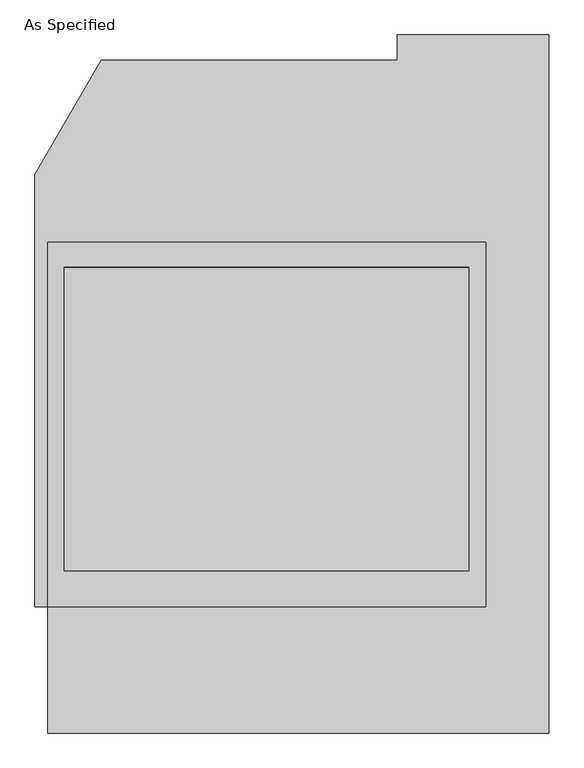
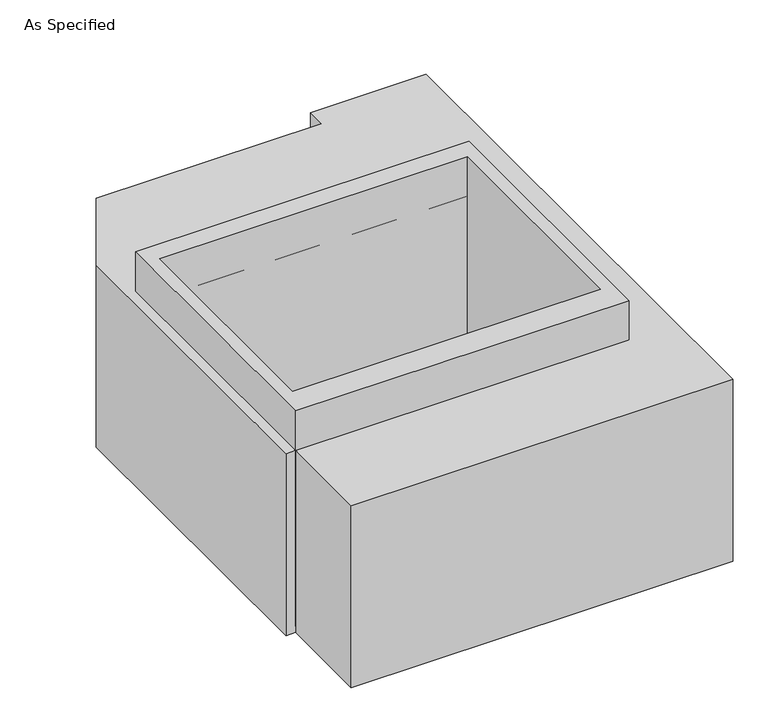
"""IFC4 building model written with IfcOpenShell, lengths in millimetres: proxy geometry, As Specified."""

import ifcopenshell
import ifcopenshell.guid

model = None  # the IFC model being written
_history = None  # IfcOwnerHistory: only IFC2X3 demands one
_inside = {}  # id of a spatial element -> (the spatial element, [elements in it])
_under = {}  # id of a project, library or spatial element -> (it, [spatial elements below it])
_declared = {}  # id of a project -> (the project, [libraries it declares])
_typed = {}  # id of a type object -> (the type object, [elements of that type])
_made_of = {}  # id of a material, layer set ... -> (it, [elements and type objects made of it])


def new_model(schema):
    """Start an empty IFC model of exactly this schema.

    Asked for "IFC4X3", IfcOpenShell would pick the latest addendum, in which some entities
    have other attributes; the version numbers below select the first issue.
    IFC2X3 requires an IfcOwnerHistory on every rooted entity: one is made here for all.
    """
    global model, _history
    if schema == "IFC4X3":
        model = ifcopenshell.file(schema_version=(4, 3, 0, 0))
    else:
        model = ifcopenshell.file(schema=schema)
    _inside.clear()
    _under.clear()
    _declared.clear()
    _typed.clear()
    _made_of.clear()
    _history = None
    if model.schema == "IFC2X3":
        org = make("IfcOrganization", Name="unknown")
        user = make(
            "IfcPersonAndOrganization",
            ThePerson=make("IfcPerson", FamilyName="unknown"),
            TheOrganization=org,
        )
        app = make(
            "IfcApplication",
            ApplicationDeveloper=org,
            Version="unknown",
            ApplicationFullName="unknown",
            ApplicationIdentifier="unknown",
        )
        _history = make(
            "IfcOwnerHistory",
            OwningUser=user,
            OwningApplication=app,
            ChangeAction="ADDED",
            CreationDate=0,
        )
    return model


def make(cls, **values):
    """One entity of the class cls with the attributes given. An attribute that is None is left unset."""
    return model.create_entity(
        cls, **{name: value for name, value in values.items() if value is not None}
    )


def rooted(cls, **values):
    """An entity with a GlobalId (a new one), such as an element, a storey or a relation."""
    return make(cls, GlobalId=ifcopenshell.guid.new(), OwnerHistory=_history, **values)


def si_unit(unit_type, name, prefix=None):
    """IfcSIUnit, for example si_unit("LENGTHUNIT", "METRE", prefix="MILLI")."""
    return make("IfcSIUnit", UnitType=unit_type, Prefix=prefix, Name=name)


def assignment(units):
    """IfcUnitAssignment: the units of a project."""
    return None if units is None else make("IfcUnitAssignment", Units=units)


def point(xyz):
    """IfcCartesianPoint."""
    return None if xyz is None else make("IfcCartesianPoint", Coordinates=xyz)


def direction(xyz):
    """IfcDirection."""
    return None if xyz is None else make("IfcDirection", DirectionRatios=xyz)


def frame(location, z_axis=None, x_axis=None):
    """IfcAxis2Placement3D, a coordinate frame: its origin and axes. An axis left out is left unset."""
    return make(
        "IfcAxis2Placement3D",
        Location=point(location),
        Axis=direction(z_axis),
        RefDirection=direction(x_axis),
    )


def origin():
    """The frame at (0, 0, 0) with its axes left unset."""
    return frame((0.0, 0.0, 0.0))


def place(relative_to, where):
    """IfcLocalPlacement: puts the frame where relative to a parent placement (None: the world)."""
    return make(
        "IfcLocalPlacement", PlacementRelTo=relative_to, RelativePlacement=where
    )


def context(
    kind, dimensions, precision=None, world=None, true_north=None, identifier=None
):
    """IfcGeometricRepresentationContext, for example the 3D "Model" context."""
    return make(
        "IfcGeometricRepresentationContext",
        ContextIdentifier=identifier,
        ContextType=kind,
        CoordinateSpaceDimension=dimensions,
        Precision=precision,
        WorldCoordinateSystem=world,
        TrueNorth=true_north,
    )


def project(units=None, contexts=None):
    """IfcProject with its units and contexts."""
    return rooted(
        "IfcProject",
        Name="project",
        RepresentationContexts=contexts,
        UnitsInContext=assignment(units),
    )


def spatial(cls, under=None, at=None, **own):
    """A site, building, storey or space (cls), placed at a placement, below another one or the project."""
    s = rooted(cls, ObjectPlacement=at, **own)
    if under is not None:
        _under.setdefault(under.id(), (under, []))[1].append(s)
    return s


def polyline(points):
    """IfcPolyline through the points."""
    return make("IfcPolyline", Points=[point(p) for p in points])


def outline(outer, holes=None, kind="AREA"):
    """IfcArbitraryClosedProfileDef: a profile drawn as a closed curve; with holes, ...WithVoids."""
    if holes is None:
        return make("IfcArbitraryClosedProfileDef", ProfileType=kind, OuterCurve=outer)
    return make(
        "IfcArbitraryProfileDefWithVoids",
        ProfileType=kind,
        OuterCurve=outer,
        InnerCurves=holes,
    )


def extrude(swept, where, along, depth):
    """IfcExtrudedAreaSolid: the profile swept, set in the frame where, extruded along a direction by depth."""
    return make(
        "IfcExtrudedAreaSolid",
        SweptArea=swept,
        Position=where,
        ExtrudedDirection=direction(along),
        Depth=depth,
    )


def faces_of(points, faces, orient=None, outer=None):
    """IfcFace entities. A face is a list of loops; a loop is a list of indices into points, from 0.

    orient and outer hold one flag for each loop. By default every Orientation is true, the
    first loop of a face is its IfcFaceOuterBound and the others are IfcFaceBound.
    """
    made = []
    for i, loops in enumerate(faces):
        bounds = []
        for j, loop in enumerate(loops):
            is_outer = j == 0 if outer is None else outer[i][j]
            bounds.append(
                make(
                    "IfcFaceOuterBound" if is_outer else "IfcFaceBound",
                    Bound=make("IfcPolyLoop", Polygon=[points[k] for k in loop]),
                    Orientation=True if orient is None else orient[i][j],
                )
            )
        made.append(make("IfcFace", Bounds=bounds))
    return made


def faceted_brep(points, faces, orient=None, outer=None, voids=None):
    """IfcFacetedBrep: a solid bounded by flat faces; with voids (closed shells), ...WithVoids."""
    shared = [point(p) for p in points]
    hull = make("IfcClosedShell", CfsFaces=faces_of(shared, faces, orient, outer))
    if voids is None:
        return make("IfcFacetedBrep", Outer=hull)
    return make(
        "IfcFacetedBrepWithVoids",
        Outer=hull,
        Voids=[
            make(cls, CfsFaces=faces_of(shared, fs, o, b)) for cls, fs, o, b in voids
        ],
    )


def shape(context_of_items, identifier, shape_type, items):
    """IfcShapeRepresentation: the items that make up one representation, for example the "Body"."""
    return make(
        "IfcShapeRepresentation",
        ContextOfItems=context_of_items,
        RepresentationIdentifier=identifier,
        RepresentationType=shape_type,
        Items=items,
    )


def source(mapping_origin, context_of_items, identifier, shape_type, items):
    """IfcRepresentationMap: a shape defined once, which mapped items show again and again."""
    return make(
        "IfcRepresentationMap",
        MappingOrigin=mapping_origin,
        MappedRepresentation=shape(context_of_items, identifier, shape_type, items),
    )


def transform(
    local_origin,
    x_axis=None,
    y_axis=None,
    z_axis=None,
    scale=None,
    scale2=None,
    scale3=None,
    uniform=True,
):
    """IfcCartesianTransformationOperator3D, or its non-uniform kind. x_axis, y_axis, z_axis: its Axis1, 2, 3."""
    if uniform:
        return make(
            "IfcCartesianTransformationOperator3D",
            Axis1=direction(x_axis),
            Axis2=direction(y_axis),
            LocalOrigin=point(local_origin),
            Scale=scale,
            Axis3=direction(z_axis),
        )
    return make(
        "IfcCartesianTransformationOperator3DnonUniform",
        Axis1=direction(x_axis),
        Axis2=direction(y_axis),
        LocalOrigin=point(local_origin),
        Scale=scale,
        Axis3=direction(z_axis),
        Scale2=scale2,
        Scale3=scale3,
    )


def mapped(mapping_source, mapping_target):
    """IfcMappedItem: shows the shape of a source again, moved by a transform."""
    return make(
        "IfcMappedItem", MappingSource=mapping_source, MappingTarget=mapping_target
    )


def made_of(thing, what):
    """Note that an element or type object is made of a material, layer set ...; save() writes the relation."""
    if what is not None:
        _made_of.setdefault(what.id(), (what, []))[1].append(thing)
    return thing


def element(
    cls,
    number,
    at=None,
    inside=None,
    cuts=None,
    type_object=None,
    material=None,
    context=None,
    identifier="Body",
    shape_type=None,
    held_by="IfcProductDefinitionShape",
    body=None,
    shapes=None,
    **own,
):
    """One element of the class cls, such as IfcWall. Its Tag is "e" and its number.

    at: its placement. inside: the storey or other place that contains it. cuts: it is an
    opening in that element (IfcRelVoidsElement). A single representation is given by context,
    identifier, shape_type and body (its items); several are given by shapes. held_by: the class
    of the entity that holds the representations. save() writes the other relations.
    """
    e = rooted(cls, Tag="e%d" % number, ObjectPlacement=at, **own)
    if body is not None:
        shapes = [shape(context, identifier, shape_type, body)]
    if shapes is not None:
        e.Representation = make(held_by, Representations=shapes)
    if inside is not None:
        _inside.setdefault(inside.id(), (inside, []))[1].append(e)
    if cuts is not None:
        rooted(
            "IfcRelVoidsElement", RelatingBuildingElement=cuts, RelatedOpeningElement=e
        )
    if type_object is not None:
        _typed.setdefault(type_object.id(), (type_object, []))[1].append(e)
    return made_of(e, material)


def aggregate(whole, parts):
    """IfcRelAggregates: a whole, such as a stair, and the parts it consists of."""
    return rooted("IfcRelAggregates", RelatingObject=whole, RelatedObjects=parts)


def save(model, path):
    """Write the relations noted so far, then the file.

    IfcRelAggregates (storeys below a building ...), IfcRelContainedInSpatialStructure (elements
    in a storey), IfcRelDefinesByType, IfcRelAssociatesMaterial and IfcRelDeclares: one each for
    every whole, place, type object, material and project.
    """
    for whole, parts in _under.values():
        aggregate(whole, parts)
    for where, things in _inside.values():
        rooted(
            "IfcRelContainedInSpatialStructure",
            RelatedElements=things,
            RelatingStructure=where,
        )
    for kind, things in _typed.values():
        rooted("IfcRelDefinesByType", RelatedObjects=things, RelatingType=kind)
    for what, things in _made_of.values():
        rooted("IfcRelAssociatesMaterial", RelatedObjects=things, RelatingMaterial=what)
    for by, libraries in _declared.values():
        rooted("IfcRelDeclares", RelatingContext=by, RelatedDefinitions=libraries)
    model.write(path)


def as_specified_18c3cc98(model_context):
    return source(origin(), model_context, "Body", "SolidModel", [
        extrude(outline(polyline([(660.4, 465.4351562), (660.4, -633.1148438), (-660.4, -633.1148438), (-660.4, 465.4351562), (660.4, 465.4351562)]), holes=[polyline([(-609.6, 389.2748437), (-609.6, -525.1251563), (609.6, -525.1251563), (609.6, 389.2748437), (-609.6, 389.2748437)])]), frame((0.0, 0.0, -762.0), z_axis=(0.0, 0.0, 1.0), x_axis=(1.0, 0.0, 0.0)), (0.0, 0.0, 1.0), 901.7),
        faceted_brep([(-660.4, -1014.1148438, -787.4), (-660.4, -633.1148438, -787.4), (-698.5, -633.1148438, -787.4), (-698.5, 668.6748437, -787.4), (-499.060123, 1014.1148437, -787.4), (393.7, 1014.1148437, -787.4), (393.7, 1090.2751562, -787.4), (850.9, 1090.2751562, -787.4), (850.9, -1014.1148438, -787.4), (-660.4, -633.1148438, -25.4), (-660.4, -1014.1148438, -25.4), (850.9, -1014.1148438, -25.4), (850.9, 1090.2751562, -25.4), (393.7, 1090.2751562, -25.4), (393.7, 1014.1148437, -25.4), (-499.060123, 1014.1148437, -25.4), (-698.5, 668.6748437, -25.4), (-698.5, -633.1148438, -25.4), (609.6, 389.2748437, -25.4), (609.6, -525.1251563, -25.4), (-609.6, -525.1251563, -25.4), (-609.6, 389.2748437, -25.4), (609.6, 389.2748437, -762.0), (-609.6, 389.2748437, -762.0), (-609.6, -525.1251563, -762.0), (609.6, -525.1251563, -762.0)], [[[0, 1, 2, 3, 4, 5, 6, 7, 8]], [[9, 10, 11, 12, 13, 14, 15, 16, 17], [18, 19, 20, 21]], [[4, 15, 14, 5]], [[2, 17, 16, 3]], [[17, 2, 1, 9]], [[1, 0, 10, 9]], [[10, 0, 8, 11]], [[4, 3, 16, 15]], [[22, 23, 24, 25]], [[22, 25, 19, 18]], [[25, 24, 20, 19]], [[24, 23, 21, 20]], [[23, 22, 18, 21]], [[8, 7, 12, 11]], [[6, 5, 14, 13]], [[7, 6, 13, 12]]]),
    ])


if __name__ == "__main__":
    model = new_model("IFC4")
    model_context = context("Model", 3, world=origin())
    ifc_project = project(units=[si_unit("LENGTHUNIT", "METRE", prefix="MILLI")], contexts=[model_context])
    site = spatial("IfcSite", under=ifc_project)
    building = spatial("IfcBuilding", under=site)
    placement = place(None, origin())
    as_specified_shape = as_specified_18c3cc98(model_context)
    element("IfcBuildingElementProxy", 1, Name="As Specified", ObjectType="As Specified", at=placement, inside=building, context=model_context, shape_type="MappedRepresentation", body=[
        mapped(as_specified_shape, transform((0.0, 0.0, 0.0), x_axis=(1.0, 0.0, 0.0), y_axis=(0.0, 1.0, 0.0), z_axis=(0.0, 0.0, 1.0))),
    ])
    save(model, "model.ifc")
